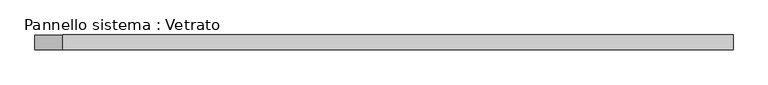
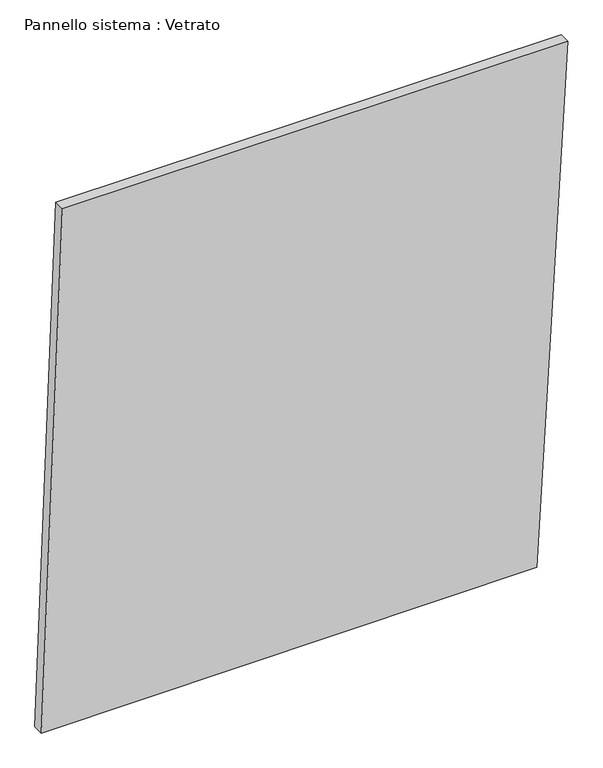
"""IFC4 building model written with IfcOpenShell, lengths in millimetres: plate geometry, Pannello sistema : Vetrato."""

from ifc_helpers import new_model, si_unit, frame, origin, place, context, project, spatial, polyline, outline, extrude, source, transform, mapped, element, save


def pannello_sistema_vetrato_e33e2a0d(model_context):
    return source(origin(), model_context, "Body", "SweptSolid", [
        extrude(outline(polyline([(0.0, -704.1035538), (4.991382, 621.1503337), (1462.8739645, 704.1035538), (1462.8739645, -647.9500326), (0.0, -704.1035538)])), frame((0.0, -15.0, 0.0), z_axis=(0.0, 1.0, 0.0), x_axis=(0.0, 0.0, 1.0)), (0.0, 0.0, 1.0), 30.0),
    ])


if __name__ == "__main__":
    model = new_model("IFC4")
    model_context = context("Model", 3, world=origin())
    ifc_project = project(units=[si_unit("LENGTHUNIT", "METRE", prefix="MILLI")], contexts=[model_context])
    site = spatial("IfcSite", under=ifc_project)
    building = spatial("IfcBuilding", under=site)
    placement = place(None, origin())
    pannello_sistema_vetrato_shape = pannello_sistema_vetrato_e33e2a0d(model_context)
    element("IfcPlate", 1, ObjectType="Pannello sistema : Vetrato", at=placement, inside=building, context=model_context, shape_type="MappedRepresentation", body=[
        mapped(pannello_sistema_vetrato_shape, transform((0.0, 0.0, 0.0), x_axis=(1.0, 0.0, 0.0), y_axis=(0.0, 1.0, 0.0), z_axis=(0.0, 0.0, 1.0))),
    ])
    save(model, "model.ifc")
